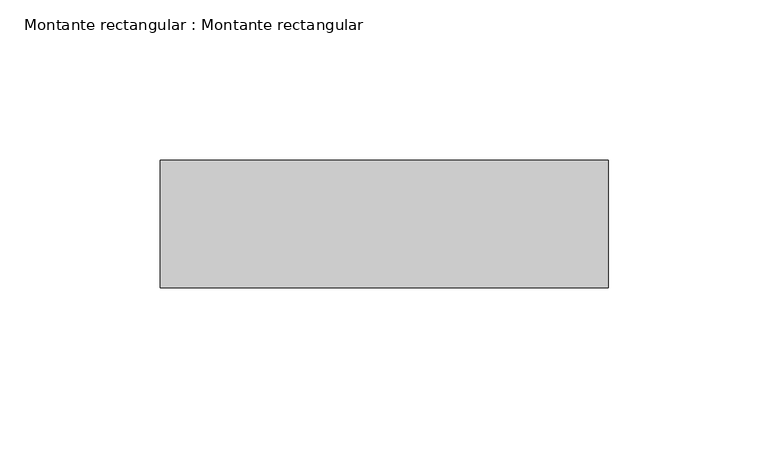
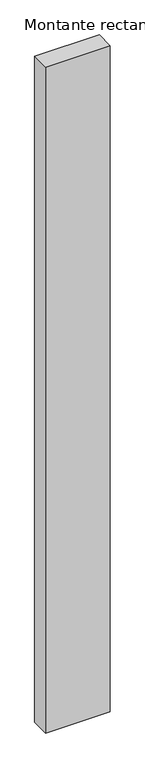
"""IFC4 building model written with IfcOpenShell, lengths in millimetres: member geometry, Montante rectangular : Montante rectangular."""

from ifc_helpers import new_model, si_unit, frame, origin, place, context, project, spatial, polyline, outline, extrude, source, transform, mapped, element, save


def montante_rectangular_montante_rectangular_1c1fa3b0(model_context):
    return source(origin(), model_context, "Body", "SweptSolid", [
        extrude(outline(polyline([(-140.0, -4.614603), (0.0, -4.614603), (0.0, -44.614603), (-140.0, -44.614603), (-140.0, -4.614603)])), frame((0.0, 0.0, -1519.9740771), z_axis=(0.0, 0.0, 1.0), x_axis=(1.0, 0.0, 0.0)), (0.0, 0.0, 1.0), 1519.9740771),
    ])


if __name__ == "__main__":
    model = new_model("IFC4")
    model_context = context("Model", 3, world=origin())
    ifc_project = project(units=[si_unit("LENGTHUNIT", "METRE", prefix="MILLI")], contexts=[model_context])
    site = spatial("IfcSite", under=ifc_project)
    building = spatial("IfcBuilding", under=site)
    placement = place(None, origin())
    montante_rectangular_montante_rectangular_shape = montante_rectangular_montante_rectangular_1c1fa3b0(model_context)
    element("IfcMember", 1, ObjectType="Montante rectangular : Montante rectangular", at=placement, inside=building, context=model_context, shape_type="MappedRepresentation", body=[
        mapped(montante_rectangular_montante_rectangular_shape, transform((0.0, 0.0, 0.0), x_axis=(1.0, 0.0, 0.0), y_axis=(0.0, 1.0, 0.0), z_axis=(0.0, 0.0, 1.0))),
    ])
    save(model, "model.ifc")
